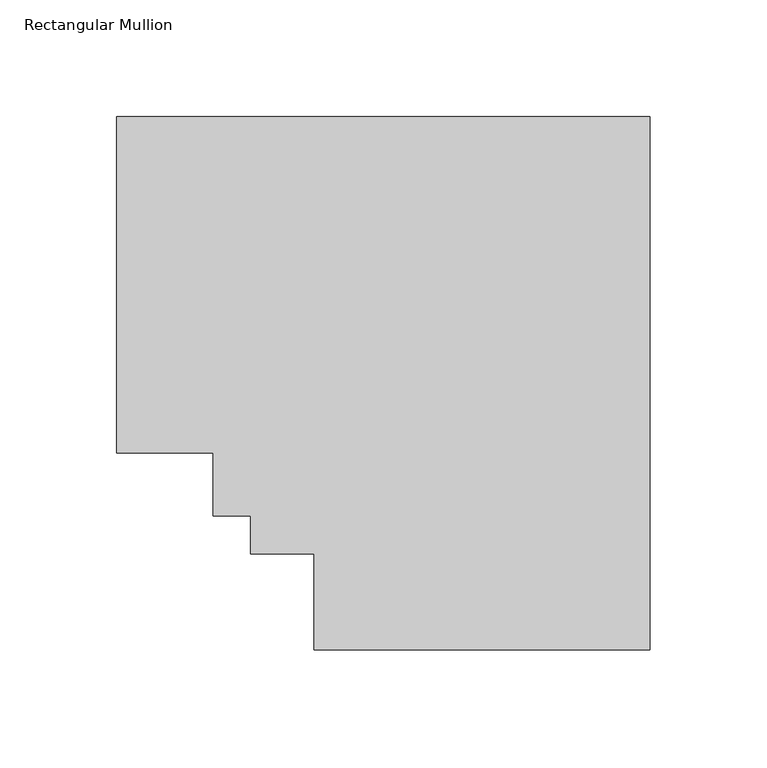
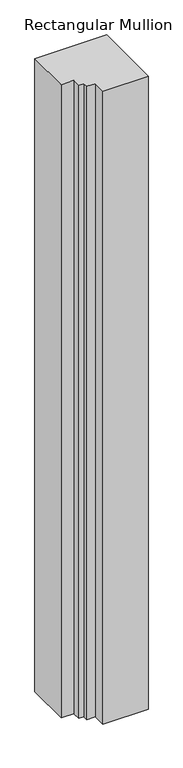
"""IFC4 building model written with IfcOpenShell, lengths in millimetres: member geometry, Rectangular Mullion."""

from ifc_helpers import new_model, si_unit, frame, origin, place, context, project, spatial, polyline, outline, extrude, source, transform, mapped, element, save


def rectangular_mullion_b634e9ca(model_context):
    return source(origin(), model_context, "Body", "SweptSolid", [
        extrude(outline(polyline([(0.0, 190.7881312), (0.0, -37.7805771), (-144.0525193, -37.7805771), (-144.0525193, 3.4944228), (-171.2305193, 3.4944228), (-171.2305193, 19.5667302), (-187.3028266, 19.5667302), (-187.3028266, 46.7447302), (-228.5778266, 46.7447302), (-228.5778266, 190.7881313), (0.0, 190.7881312)])), frame((0.0, 0.0, -2133.6), z_axis=(0.0, 0.0, 1.0), x_axis=(1.0, 0.0, 0.0)), (0.0, 0.0, 1.0), 2133.6),
    ])


if __name__ == "__main__":
    model = new_model("IFC4")
    model_context = context("Model", 3, world=origin())
    ifc_project = project(units=[si_unit("LENGTHUNIT", "METRE", prefix="MILLI")], contexts=[model_context])
    site = spatial("IfcSite", under=ifc_project)
    building = spatial("IfcBuilding", under=site)
    placement = place(None, origin())
    rectangular_mullion_shape = rectangular_mullion_b634e9ca(model_context)
    element("IfcMember", 1, ObjectType="Rectangular Mullion", at=placement, inside=building, context=model_context, shape_type="MappedRepresentation", body=[
        mapped(rectangular_mullion_shape, transform((0.0, 0.0, 0.0), x_axis=(1.0, 0.0, 0.0), y_axis=(0.0, 1.0, 0.0), z_axis=(0.0, 0.0, 1.0))),
    ])
    save(model, "model.ifc")
